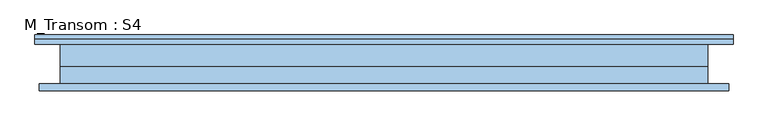
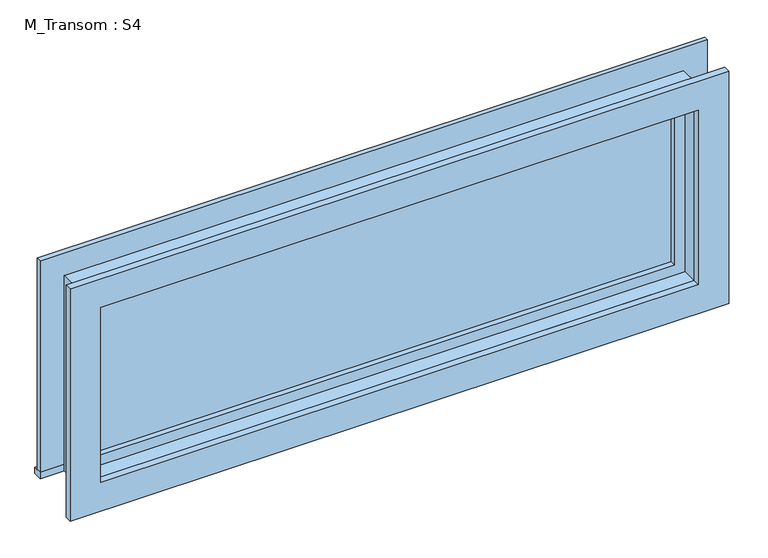
"""IFC4 building model written with IfcOpenShell, lengths in millimetres: window geometry, M_Transom : S4."""

from ifc_helpers import new_model, si_unit, frame, origin, place, context, project, spatial, polyline, outline, extrude, source, transform, mapped, element, save


def m_transom_s4_79e1f7aa(model_context):
    return source(origin(), model_context, "Body", "SweptSolid", [
        extrude(outline(polyline([(-1008.05, 80.7), (931.85, 80.7), (931.85, 55.0), (-1008.05, 55.0), (-1008.05, 80.7)])), frame((0.0, 0.0, 2159.0), z_axis=(0.0, 0.0, 1.0), x_axis=(1.0, 0.0, 0.0)), (0.0, 0.0, 1.0), 19.05),
        extrude(outline(polyline([(2739.95, -919.05), (2739.95, 842.85), (2178.05, 842.85), (2178.05, 931.85), (2828.95, 931.85), (2828.95, -1008.05), (2178.05, -1008.05), (2178.05, -919.05), (2739.95, -919.05)])), frame((0.0, 55.0, 0.0), z_axis=(0.0, 1.0, 0.0), x_axis=(0.0, 0.0, 1.0)), (0.0, 0.0, 1.0), 13.0),
        extrude(outline(polyline([(2816.25, 919.15), (2816.25, -995.35), (2101.75, -995.35), (2101.75, 919.15), (2816.25, 919.15)]), holes=[polyline([(2727.25, 830.15), (2190.75, 830.15), (2190.75, -906.35), (2727.25, -906.35), (2727.25, 830.15)])]), frame((0.0, -74.0, 0.0), z_axis=(0.0, 1.0, 0.0), x_axis=(0.0, 0.0, 1.0)), (0.0, 0.0, 1.0), 19.0),
        extrude(outline(polyline([(798.4, 7.425), (-874.6, 7.425), (-874.6, 20.125), (798.4, 20.125), (798.4, 7.425)])), frame((0.0, 0.0, 2222.5), z_axis=(0.0, 0.0, 1.0), x_axis=(1.0, 0.0, 0.0)), (0.0, 0.0, 1.0), 473.0),
        extrude(outline(polyline([(2739.95, -919.05), (2178.05, -919.05), (2178.05, 842.85), (2739.95, 842.85), (2739.95, -919.05)]), holes=[polyline([(2695.5, -874.6), (2695.5, 798.4), (2222.5, 798.4), (2222.5, -874.6), (2695.5, -874.6)])]), frame((0.0, -8.45, 0.0), z_axis=(0.0, 1.0, 0.0), x_axis=(0.0, 0.0, 1.0)), (0.0, 0.0, 1.0), 44.45),
        extrude(outline(polyline([(2759.0, -938.1), (2159.0, -938.1), (2159.0, 861.9), (2759.0, 861.9), (2759.0, -938.1)]), holes=[polyline([(2727.25, -906.35), (2727.25, 830.15), (2190.75, 830.15), (2190.75, -906.35), (2727.25, -906.35)])]), frame((0.0, -55.0, 0.0), z_axis=(0.0, 1.0, 0.0), x_axis=(0.0, 0.0, 1.0)), (0.0, 0.0, 1.0), 46.55),
        extrude(outline(polyline([(2759.0, 861.9), (2759.0, -938.1), (2159.0, -938.1), (2159.0, 861.9), (2759.0, 861.9)]), holes=[polyline([(2739.95, 842.85), (2178.05, 842.85), (2178.05, -919.05), (2739.95, -919.05), (2739.95, 842.85)])]), frame((0.0, -8.45, 0.0), z_axis=(0.0, 1.0, 0.0), x_axis=(0.0, 0.0, 1.0)), (0.0, 0.0, 1.0), 63.45),
    ])


if __name__ == "__main__":
    model = new_model("IFC4")
    model_context = context("Model", 3, world=origin())
    ifc_project = project(units=[si_unit("LENGTHUNIT", "METRE", prefix="MILLI")], contexts=[model_context])
    site = spatial("IfcSite", under=ifc_project)
    building = spatial("IfcBuilding", under=site)
    placement = place(None, origin())
    m_transom_s4_shape = m_transom_s4_79e1f7aa(model_context)
    element("IfcWindow", 1, ObjectType="M_Transom : S4", at=placement, inside=building, context=model_context, shape_type="MappedRepresentation", body=[
        mapped(m_transom_s4_shape, transform((0.0, 0.0, 0.0), x_axis=(1.0, 0.0, 0.0), y_axis=(0.0, 1.0, 0.0), z_axis=(0.0, 0.0, 1.0))),
    ])
    save(model, "model.ifc")
